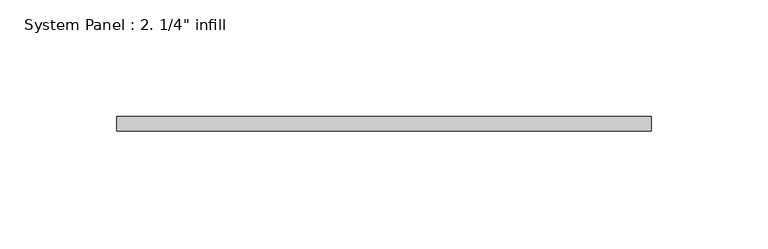
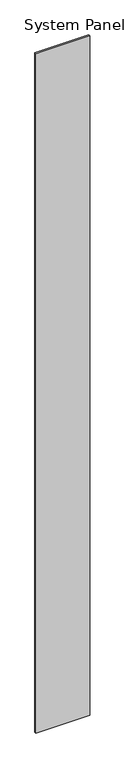
"""IFC4 building model written with IfcOpenShell, lengths in millimetres: plate geometry."""

from ifc_helpers import new_model, si_unit, origin, origin_with_axes, place, context, project, spatial, polyline, outline, extrude, source, transform, mapped, element, save


def plate_0366d1eb(model_context):
    return source(origin(), model_context, "Body", "SweptSolid", [
        extrude(outline(polyline([(114.711909, -6.35), (-114.711909, -6.35), (-114.711909, 0.0), (114.711909, 0.0), (114.711909, -6.35)])), origin_with_axes(), (0.0, 0.0, 1.0), 3048.0),
    ])


if __name__ == "__main__":
    model = new_model("IFC4")
    model_context = context("Model", 3, world=origin())
    ifc_project = project(units=[si_unit("LENGTHUNIT", "METRE", prefix="MILLI")], contexts=[model_context])
    site = spatial("IfcSite", under=ifc_project)
    building = spatial("IfcBuilding", under=site)
    placement = place(None, origin())
    plate_shape = plate_0366d1eb(model_context)
    element("IfcPlate", 1, ObjectType="System Panel : 2. 1/4\" infill", at=placement, inside=building, context=model_context, shape_type="MappedRepresentation", body=[
        mapped(plate_shape, transform((0.0, 0.0, 0.0), x_axis=(1.0, 0.0, 0.0), y_axis=(0.0, 1.0, 0.0), z_axis=(0.0, 0.0, 1.0))),
    ])
    save(model, "model.ifc")
